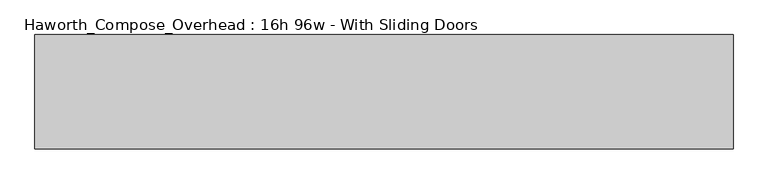
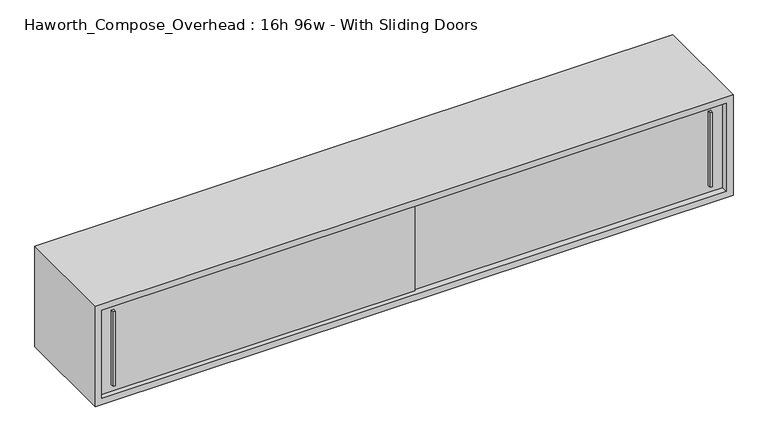
"""IFC4 building model written with IfcOpenShell, lengths in millimetres: furniture geometry, Haworth_Compose_Overhead : 16h 96w - With Sliding Doors."""

from ifc_helpers import new_model, si_unit, frame, origin, place, context, project, spatial, polyline, outline, extrude, source, transform, mapped, element, save


def haworth_compose_overhead_16h_96w_with_sliding_doors_c0d1d312(model_context):
    return source(origin(), model_context, "Body", "SweptSolid", [
        extrude(outline(polyline([(1311.2750004, -387.3499879), (1304.9249996, -387.3499879), (1303.3375011, -374.65), (1312.8624989, -374.65), (1311.2750004, -387.3499879)])), frame((0.0, 0.0, 1322.3875), z_axis=(0.0, 0.0, 1.0), x_axis=(1.0, 0.0, 0.0)), (0.0, 0.0, 1.0), 301.625),
        extrude(outline(polyline([(-974.7249996, -393.6999879), (-981.0750004, -393.6999879), (-982.6624989, -381.0), (-973.1375011, -381.0), (-974.7249996, -393.6999879)])), frame((0.0, 0.0, 1322.3875), z_axis=(0.0, 0.0, 1.0), x_axis=(1.0, 0.0, 0.0)), (0.0, 0.0, 1.0), 301.625),
        extrude(outline(polyline([(-1028.7, -374.65), (177.8, -374.65), (177.8, -381.0), (-1028.7, -381.0), (-1028.7, -374.65)])), frame((0.0, 0.0, 1295.4), z_axis=(0.0, 0.0, 1.0), x_axis=(1.0, 0.0, 0.0)), (0.0, 0.0, 1.0), 355.6),
        extrude(outline(polyline([(152.4, -368.3), (1358.9, -368.3), (1358.9, -374.65), (152.4, -374.65), (152.4, -368.3)])), frame((0.0, 0.0, 1295.4), z_axis=(0.0, 0.0, 1.0), x_axis=(1.0, 0.0, 0.0)), (0.0, 0.0, 1.0), 355.6),
        extrude(outline(polyline([(1358.9, -6.35), (-1028.7, -6.35), (-1028.7, 0.0), (1358.9, 0.0), (1358.9, -6.35)])), frame((0.0, 0.0, 1295.4), z_axis=(0.0, 0.0, 1.0), x_axis=(1.0, 0.0, 0.0)), (0.0, 0.0, 1.0), 355.6),
        extrude(outline(polyline([(1270.0, 1384.3), (1676.4, 1384.3), (1676.4, -1054.1), (1270.0, -1054.1), (1270.0, 1384.3)]), holes=[polyline([(1651.0, 1358.9), (1295.4, 1358.9), (1295.4, -1028.7), (1651.0, -1028.7), (1651.0, 1358.9)])]), frame((0.0, -400.05, 0.0), z_axis=(0.0, 1.0, 0.0), x_axis=(0.0, 0.0, 1.0)), (0.0, 0.0, 1.0), 400.05),
    ])


if __name__ == "__main__":
    model = new_model("IFC4")
    model_context = context("Model", 3, world=origin())
    ifc_project = project(units=[si_unit("LENGTHUNIT", "METRE", prefix="MILLI")], contexts=[model_context])
    site = spatial("IfcSite", under=ifc_project)
    building = spatial("IfcBuilding", under=site)
    placement = place(None, origin())
    haworth_compose_overhead_16h_96w_with_sliding_doors_shape = haworth_compose_overhead_16h_96w_with_sliding_doors_c0d1d312(model_context)
    element("IfcFurniture", 1, ObjectType="Haworth_Compose_Overhead : 16h 96w - With Sliding Doors", at=placement, inside=building, context=model_context, shape_type="MappedRepresentation", body=[
        mapped(haworth_compose_overhead_16h_96w_with_sliding_doors_shape, transform((0.0, 0.0, 0.0), x_axis=(1.0, 0.0, 0.0), y_axis=(0.0, 1.0, 0.0), z_axis=(0.0, 0.0, 1.0))),
    ])
    save(model, "model.ifc")
